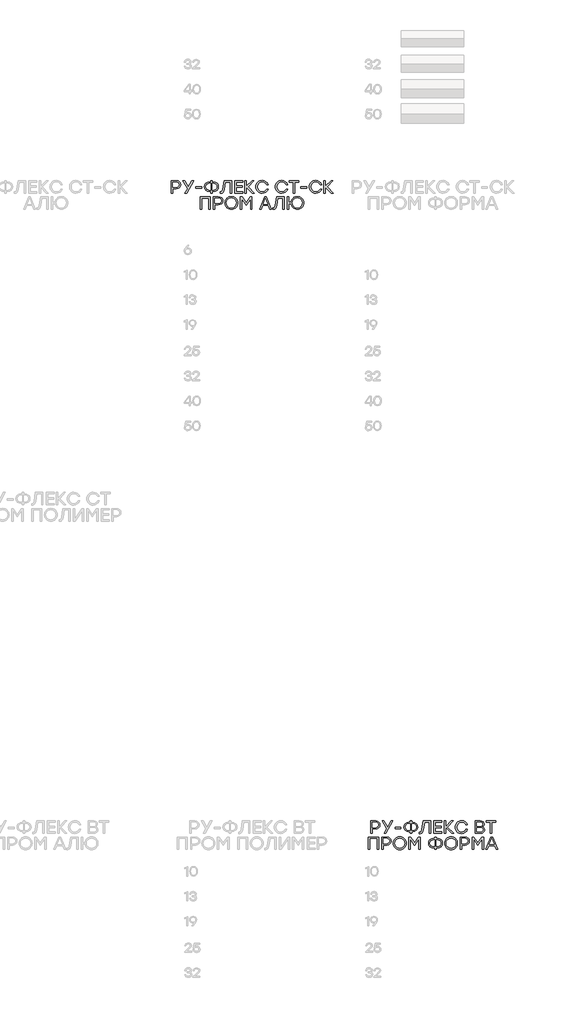
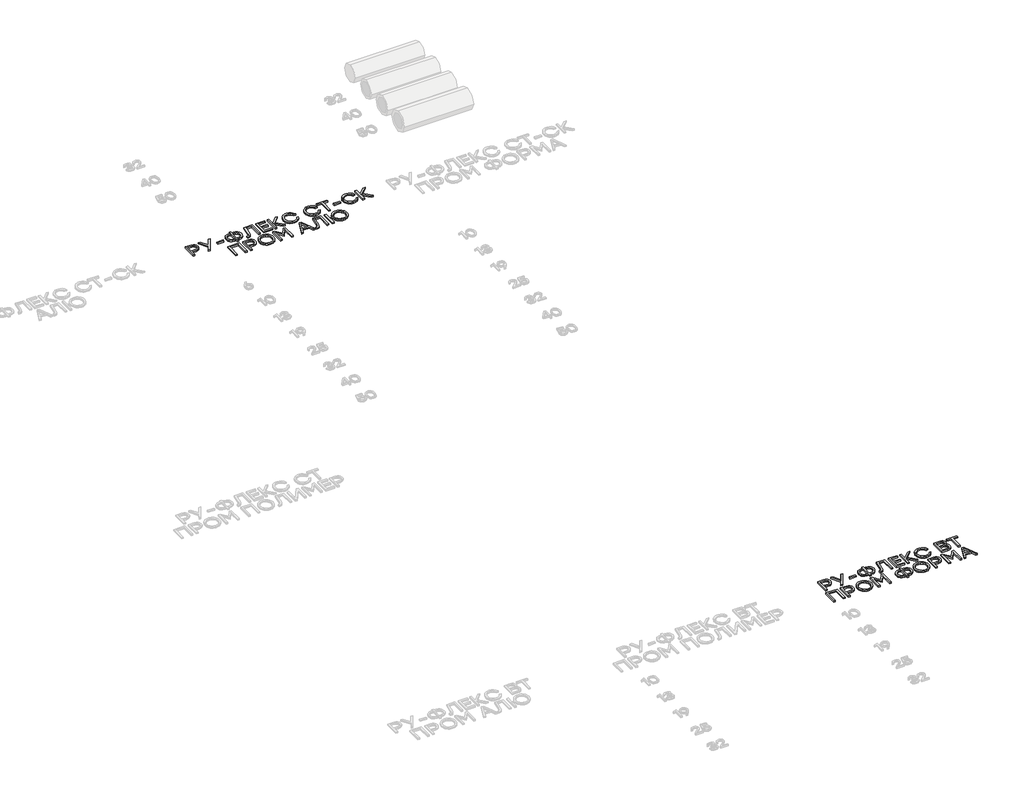
# One storey, part 23 of 41: 2 proxies.
"""IFC4 building model written with IfcOpenShell, lengths in millimetres."""

from ifc_helpers import new_model, si_unit, origin, origin_with_axes, place, context, project, spatial, polyline, outline, extrude, element, save

model = new_model("IFC4")

# Units and contexts
model_context = context("Model", 3, world=origin())
ifc_project = project(units=[si_unit("LENGTHUNIT", "METRE", prefix="MILLI")], contexts=[model_context])

# Site, building, storey
site = spatial("IfcSite", under=ifc_project)
building = spatial("IfcBuilding", under=site)
storey = spatial("IfcBuildingStorey", under=building, Elevation=0.0)

# Proxies
placement = place(None, origin())
element("IfcBuildingElementProxy", 1, Name="Generic Models", at=placement, inside=storey, context=model_context, shape_type="SweptSolid", body=[
    extrude(outline(polyline([(28710.1380532, -32563.1559111), (28739.157125, -32567.6203837), (28761.0222829, -32581.0138015), (28774.7384336, -32601.4670027), (28779.3104838, -32627.1108256), (28774.6980919, -32653.1446175), (28760.8609164, -32674.0146821), (28738.9554169, -32687.7308328), (28710.1380532, -32692.3028831), (28653.5522079, -32692.3028831), (28653.5522079, -32763.1427673), (28629.8313355, -32763.1427673), (28629.8313355, -32563.1559111), (28710.1380532, -32563.1559111)]), holes=[polyline([(28709.277432, -32669.711576), (28729.1456797, -32666.712849), (28743.5678087, -32657.7166678), (28752.342111, -32644.1484363), (28755.2668784, -32627.4335586), (28752.342111, -32610.7859168), (28743.5678087, -32597.4193935), (28729.1456797, -32588.6249204), (28709.277432, -32585.6934293), (28653.5522079, -32585.6934293), (28653.5522079, -32669.711576), (28709.277432, -32669.711576)])]), origin_with_axes(), (0.0, 0.0, 1.0), 20.0),
    extrude(outline(polyline([(28988.3338628, -32563.1559111), (28875.2159611, -32763.1427673), (28848.3753368, -32763.1427673), (28889.792733, -32690.5816406), (28816.9088734, -32563.1559111), (28843.8032865, -32563.1559111), (28902.9172066, -32665.1395258), (28961.7621826, -32563.1559111), (28988.3338628, -32563.1559111)])), origin_with_axes(), (0.0, 0.0, 1.0), 20.0),
    extrude(outline(polyline([(29114.8989711, -32665.7312029), (29114.8989711, -32688.2687211), (29022.2746122, -32688.2687211), (29022.2746122, -32665.7312029), (29114.8989711, -32665.7312029)])), origin_with_axes(), (0.0, 0.0, 1.0), 20.0),
    extrude(outline(polyline([(29305.4727826, -32585.6934293), (29337.1207833, -32590.8033678), (29362.8923547, -32606.1331833), (29372.8819483, -32617.2355333), (29380.0173723, -32630.1028291), (29385.7257115, -32661.1322582), (29380.0509903, -32692.1616874), (29372.9575888, -32705.0289832), (29363.0268268, -32716.1313331), (29337.2888734, -32731.4611486), (29305.4727826, -32736.5710871), (29285.7322834, -32736.5710871), (29285.7322834, -32763.1427673), (29262.011411, -32763.1427673), (29262.011411, -32736.5710871), (29242.0557564, -32736.5710871), (29210.1993241, -32731.4611486), (29184.4479235, -32716.1313331), (29174.5171614, -32705.0289832), (29167.4237599, -32692.1616874), (29161.7490388, -32661.1322582), (29167.4641016, -32630.1028291), (29174.6079301, -32617.2355333), (29184.6092899, -32606.1331833), (29210.4010322, -32590.8033678), (29242.0557564, -32585.6934293), (29262.011411, -32585.6934293), (29262.011411, -32563.1559111), (29285.7322834, -32563.1559111), (29285.7322834, -32585.6934293), (29305.4727826, -32585.6934293)]), holes=[polyline([(29305.4727826, -32713.9797801), (29328.0775369, -32710.5171244), (29346.1909241, -32700.1291573), (29358.091702, -32683.4546211), (29362.0586279, -32661.1322582), (29358.091702, -32638.8098953), (29346.1909241, -32622.1353592), (29328.0775369, -32611.7473921), (29305.4727826, -32608.2847364), (29285.7322834, -32608.2847364), (29285.7322834, -32713.9797801), (29305.4727826, -32713.9797801)]), polyline([(29242.0557564, -32713.9797801), (29262.011411, -32713.9797801), (29262.011411, -32608.2847364), (29242.0557564, -32608.2847364), (29219.6527103, -32611.7473921), (29201.6065591, -32622.1353592), (29189.7057812, -32638.8098953), (29185.7388553, -32661.1322582), (29189.6654396, -32683.4546211), (29201.4451926, -32700.1291573), (29219.4510022, -32710.5171244), (29242.0557564, -32713.9797801)])]), origin_with_axes(), (0.0, 0.0, 1.0), 20.0),
    extrude(outline(polyline([(29475.3916849, -32563.1559111), (29595.6635005, -32563.1559111), (29595.6635005, -32763.1427673), (29571.9426281, -32763.1427673), (29571.9426281, -32585.6934293), (29495.3473395, -32585.6934293), (29476.2523061, -32701.9848718), (29469.1521811, -32732.0057605), (29459.3626147, -32751.7126417), (29446.1574578, -32762.6250498), (29428.8105613, -32766.2625192), (29413.1042241, -32765.401898), (29413.1042241, -32743.725001), (29424.2385111, -32744.2628893), (29434.9357639, -32741.9768642), (29442.4998176, -32735.1187888), (29452.8003779, -32700.5863623), (29475.3916849, -32563.1559111)])), origin_with_axes(), (0.0, 0.0, 1.0), 20.0),
    extrude(outline(polyline([(29772.2522172, -32585.6934293), (29669.0852484, -32585.6934293), (29669.0852484, -32649.1642444), (29765.3672475, -32649.1642444), (29765.3672475, -32671.7017626), (29669.0852484, -32671.7017626), (29669.0852484, -32740.5514603), (29772.2522172, -32740.5514603), (29772.2522172, -32763.1427673), (29645.364376, -32763.1427673), (29645.364376, -32563.1559111), (29772.2522172, -32563.1559111), (29772.2522172, -32585.6934293)])), origin_with_axes(), (0.0, 0.0, 1.0), 20.0),
    extrude(outline(polyline([(29958.8994445, -32763.1427673), (29928.3473912, -32763.1427673), (29834.3245228, -32666.000147), (29834.3245228, -32763.1427673), (29810.6036504, -32763.1427673), (29810.6036504, -32563.1559111), (29834.3245228, -32563.1559111), (29834.3245228, -32656.8560465), (29925.2276392, -32563.1559111), (29955.5107484, -32563.1559111), (29860.896203, -32661.1591526), (29958.8994445, -32763.1427673)])), origin_with_axes(), (0.0, 0.0, 1.0), 20.0),
    extrude(outline(polyline([(30087.9388388, -32766.2625192), (30066.7409985, -32764.4236137), (30047.4156818, -32758.9068972), (30029.9628885, -32749.7123697), (30014.3826188, -32736.8400312), (30001.5691119, -32721.1992491), (29992.4166069, -32703.6993906), (29986.9251039, -32684.3404559), (29985.0946029, -32663.1224448), (29986.9251039, -32641.9044337), (29992.4166069, -32622.545499), (30001.5691119, -32605.0456405), (30014.3826188, -32589.4048584), (30029.9628885, -32576.5325199), (30047.4156818, -32567.3379924), (30066.7409985, -32561.8212759), (30087.9388388, -32559.9823704), (30119.4187494, -32564.5208026), (30146.9451812, -32578.1360993), (30168.6893143, -32599.3894092), (30182.8223284, -32626.8418815), (30157.3802135, -32626.8418815), (30145.9164699, -32608.6343638), (30129.8134401, -32594.5685857), (30110.0662172, -32585.5724045), (30087.6698946, -32582.5736774), (30056.7682139, -32588.3223582), (30031.51436, -32605.5684007), (30014.6919046, -32631.4609969), (30009.0844194, -32663.1493392), (30014.6919046, -32694.8376815), (30031.51436, -32720.7302778), (30056.7682139, -32737.9763202), (30087.6698946, -32743.725001), (30110.0662172, -32740.7262739), (30129.8134401, -32731.7300927), (30145.9164699, -32717.6508675), (30157.3802135, -32699.4030081), (30182.8223284, -32699.4030081), (30168.6893143, -32726.8890984), (30146.9451812, -32748.1356848), (30119.4187494, -32761.7308106), (30087.9388388, -32766.2625192)])), origin_with_axes(), (0.0, 0.0, 1.0), 20.0),
    extrude(outline(polyline([(30401.2049631, -32766.2625192), (30380.0071229, -32764.4236137), (30360.6818061, -32758.9068972), (30343.2290129, -32749.7123697), (30327.6487432, -32736.8400312), (30314.8352362, -32721.1992491), (30305.6827312, -32703.6993906), (30300.1912282, -32684.3404559), (30298.3607273, -32663.1224448), (30300.1912282, -32641.9044337), (30305.6827312, -32622.545499), (30314.8352362, -32605.0456405), (30327.6487432, -32589.4048584), (30343.2290129, -32576.5325199), (30360.6818061, -32567.3379924), (30380.0071229, -32561.8212759), (30401.2049631, -32559.9823704), (30432.6848737, -32564.5208026), (30460.2113056, -32578.1360993), (30481.9554386, -32599.3894092), (30496.0884527, -32626.8418815), (30470.6463379, -32626.8418815), (30459.1825943, -32608.6343638), (30443.0795644, -32594.5685857), (30423.3323416, -32585.5724045), (30400.936019, -32582.5736774), (30370.0343383, -32588.3223582), (30344.7804843, -32605.5684007), (30327.9580289, -32631.4609969), (30322.3505438, -32663.1493392), (30327.9580289, -32694.8376815), (30344.7804843, -32720.7302778), (30370.0343383, -32737.9763202), (30400.936019, -32743.725001), (30423.3323416, -32740.7262739), (30443.0795644, -32731.7300927), (30459.1825943, -32717.6508675), (30470.6463379, -32699.4030081), (30496.0884527, -32699.4030081), (30481.9554386, -32726.8890984), (30460.2113056, -32748.1356848), (30432.6848737, -32761.7308106), (30401.2049631, -32766.2625192)])), origin_with_axes(), (0.0, 0.0, 1.0), 20.0),
    extrude(outline(polyline([(30671.0097158, -32563.1559111), (30671.0097158, -32585.6934293), (30606.4093355, -32585.6934293), (30606.4093355, -32763.1427673), (30582.4195189, -32763.1427673), (30582.4195189, -32585.6934293), (30518.1418715, -32585.6934293), (30518.1418715, -32563.1559111), (30671.0097158, -32563.1559111)])), origin_with_axes(), (0.0, 0.0, 1.0), 20.0),
    extrude(outline(polyline([(30798.2740789, -32665.7312029), (30798.2740789, -32688.2687211), (30705.64972, -32688.2687211), (30705.64972, -32665.7312029), (30798.2740789, -32665.7312029)])), origin_with_axes(), (0.0, 0.0, 1.0), 20.0),
    extrude(outline(polyline([(30945.1175747, -32766.2625192), (30923.9197344, -32764.4236137), (30904.5944176, -32758.9068972), (30887.1416244, -32749.7123697), (30871.5613547, -32736.8400312), (30858.7478477, -32721.1992491), (30849.5953428, -32703.6993906), (30844.1038398, -32684.3404559), (30842.2733388, -32663.1224448), (30844.1038398, -32641.9044337), (30849.5953428, -32622.545499), (30858.7478477, -32605.0456405), (30871.5613547, -32589.4048584), (30887.1416244, -32576.5325199), (30904.5944176, -32567.3379924), (30923.9197344, -32561.8212759), (30945.1175747, -32559.9823704), (30976.5974852, -32564.5208026), (31004.1239171, -32578.1360993), (31025.8680501, -32599.3894092), (31040.0010642, -32626.8418815), (31014.5589494, -32626.8418815), (31003.0952058, -32608.6343638), (30986.9921759, -32594.5685857), (30967.2449531, -32585.5724045), (30944.8486305, -32582.5736774), (30913.9469498, -32588.3223582), (30888.6930959, -32605.5684007), (30871.8706404, -32631.4609969), (30866.2631553, -32663.1493392), (30871.8706404, -32694.8376815), (30888.6930959, -32720.7302778), (30913.9469498, -32737.9763202), (30944.8486305, -32743.725001), (30967.2449531, -32740.7262739), (30986.9921759, -32731.7300927), (31003.0952058, -32717.6508675), (31014.5589494, -32699.4030081), (31040.0010642, -32699.4030081), (31025.8680501, -32726.8890984), (31004.1239171, -32748.1356848), (30976.5974852, -32761.7308106), (30945.1175747, -32766.2625192)])), origin_with_axes(), (0.0, 0.0, 1.0), 20.0),
    extrude(outline(polyline([(31225.7338814, -32763.1427673), (31195.1818281, -32763.1427673), (31101.1589597, -32666.000147), (31101.1589597, -32763.1427673), (31077.4380873, -32763.1427673), (31077.4380873, -32563.1559111), (31101.1589597, -32563.1559111), (31101.1589597, -32656.8560465), (31192.0620762, -32563.1559111), (31222.3451854, -32563.1559111), (31127.7306399, -32661.1591526), (31225.7338814, -32763.1427673)])), origin_with_axes(), (0.0, 0.0, 1.0), 20.0),
    extrude(outline(polyline([(29256.3097954, -32821.6781541), (29256.3097954, -33021.6650103), (29232.588923, -33021.6650103), (29232.588923, -32844.2156724), (29116.5664247, -32844.2156724), (29116.5664247, -33021.6650103), (29092.8455523, -33021.6650103), (29092.8455523, -32821.6781541), (29116.5664247, -32821.6781541), (29256.3097954, -32821.6781541)])), origin_with_axes(), (0.0, 0.0, 1.0), 20.0),
    extrude(outline(polyline([(29386.5863327, -32821.6781541), (29415.6054045, -32826.1426267), (29437.4705624, -32839.5360445), (29451.1867131, -32859.9892457), (29455.7587633, -32885.6330686), (29451.1463715, -32911.6668605), (29437.3091959, -32932.5369251), (29415.4036964, -32946.2530758), (29386.5863327, -32950.8251261), (29330.0004874, -32950.8251261), (29330.0004874, -33021.6650103), (29306.279615, -33021.6650103), (29306.279615, -32821.6781541), (29386.5863327, -32821.6781541)]), holes=[polyline([(29385.7257115, -32928.233819), (29405.5939592, -32925.235092), (29420.0160882, -32916.2389108), (29428.7903905, -32902.6706793), (29431.715158, -32885.9558016), (29428.7903905, -32869.3081598), (29420.0160882, -32855.9416365), (29405.5939592, -32847.1471634), (29385.7257115, -32844.2156724), (29330.0004874, -32844.2156724), (29330.0004874, -32928.233819), (29385.7257115, -32928.233819)])]), origin_with_axes(), (0.0, 0.0, 1.0), 20.0),
    extrude(outline(polyline([(29520.3591437, -32848.0884679), (29536.1528878, -32835.1455315), (29553.6813216, -32825.900577), (29572.944445, -32820.3536043), (29593.9422581, -32818.5046134), (29614.9215812, -32820.3536043), (29634.1292349, -32825.900577), (29651.5652191, -32835.1455315), (29667.2295339, -32848.0884679), (29680.1607039, -32863.7813579), (29689.3972539, -32881.2761737), (29694.9391839, -32900.5729151), (29696.7864939, -32921.6715822), (29694.9290985, -32942.7685684), (29689.3569123, -32962.0602672), (29680.0699353, -32979.5466784), (29667.0681674, -32995.2278022), (29651.3349357, -33008.1589722), (29633.8535672, -33017.3955222), (29614.6240618, -33022.9374522), (29593.6464195, -33024.7847622), (29572.6687773, -33022.9374522), (29553.4392719, -33017.3955222), (29535.9579033, -33008.1589722), (29520.2246716, -32995.2278022), (29507.2229038, -32979.5466784), (29497.9359267, -32962.0602672), (29492.3637405, -32942.7685684), (29490.5063451, -32921.6715822), (29492.372145, -32900.5729151), (29497.9695447, -32881.2761737), (29507.2985443, -32863.7813579), (29520.3591437, -32848.0884679)]), holes=[polyline([(29593.6733139, -32841.0959204), (29562.8657637, -32846.8782193), (29537.3564128, -32864.2251157), (29520.2112244, -32890.1446064), (29514.4961616, -32921.6446878), (29520.2112244, -32953.1514928), (29537.3564128, -32979.0911543), (29562.8657637, -32996.4582216), (29593.6733139, -33002.247244), (29624.6422307, -32996.4985632), (29650.0977927, -32979.2525208), (29667.1219562, -32953.3599245), (29672.7966774, -32921.6715822), (29667.1219562, -32889.9832399), (29650.0977927, -32864.0906437), (29624.6422307, -32846.8446012), (29593.6733139, -32841.0959204)])]), origin_with_axes(), (0.0, 0.0, 1.0), 20.0),
    extrude(outline(polyline([(29894.6217971, -32821.6781541), (29923.7753409, -32821.6781541), (29923.7753409, -33021.6650103), (29900.0544685, -33021.6650103), (29900.0544685, -32852.2302075), (29832.3343362, -32954.5365551), (29830.0752055, -32954.5365551), (29762.3550732, -32852.2302075), (29762.3550732, -33021.6650103), (29738.6342008, -33021.6650103), (29738.6342008, -32821.6781541), (29767.7877447, -32821.6781541), (29831.2047709, -32917.099532), (29894.6217971, -32821.6781541)])), origin_with_axes(), (0.0, 0.0, 1.0), 20.0),
    extrude(outline(polyline([(30210.200841, -33021.6650103), (30186.4799686, -32961.6366802), (30093.6404544, -32961.6366802), (30069.919582, -33021.6650103), (30044.8002001, -33021.6650103), (30124.7841848, -32821.6781541), (30155.3362381, -32821.6781541), (30235.3740117, -33021.6650103), (30210.200841, -33021.6650103)]), holes=[polyline([(30102.7845548, -32939.0991619), (30177.658601, -32939.0991619), (30140.2215779, -32844.2156724), (30102.7845548, -32939.0991619)])]), origin_with_axes(), (0.0, 0.0, 1.0), 20.0),
    extrude(outline(polyline([(30317.0792388, -32821.6781541), (30437.3510544, -32821.6781541), (30437.3510544, -33021.6650103), (30413.630182, -33021.6650103), (30413.630182, -32844.2156724), (30337.0348934, -32844.2156724), (30317.93986, -32960.5071148), (30310.839735, -32990.5280035), (30301.0501686, -33010.2348847), (30287.8450117, -33021.1472929), (30270.4981152, -33024.7847622), (30254.791778, -33023.924141), (30254.791778, -33002.247244), (30265.926065, -33002.7851323), (30276.6233178, -33000.4991072), (30284.1873715, -32993.6410318), (30294.4879318, -32959.1086053), (30317.0792388, -32821.6781541)])), origin_with_axes(), (0.0, 0.0, 1.0), 20.0),
    extrude(outline(polyline([(30651.3767942, -32818.5046134), (30672.3645219, -32820.3536043), (30691.5973891, -32825.900577), (30709.0753959, -32835.1455315), (30724.7985421, -32848.0884679), (30737.7885437, -32863.7813579), (30747.0671162, -32881.2761737), (30752.6342597, -32900.5729151), (30754.4899743, -32921.6715822), (30752.6342597, -32942.7685684), (30747.0671162, -32962.0602672), (30737.7885437, -32979.5466784), (30724.7985421, -32995.2278022), (30709.0753959, -33008.1589722), (30691.5973891, -33017.3955222), (30672.3645219, -33022.9374522), (30651.3767942, -33024.7847622), (30631.8195132, -33023.1694165), (30613.704445, -33018.3233795), (30597.0315898, -33010.246651), (30581.8009474, -32998.9392312), (30568.8563302, -32985.1508018), (30559.0415503, -32969.6310445), (30552.3566077, -32952.3799593), (30548.8015025, -32933.3975464), (30510.7728023, -32933.3975464), (30510.7728023, -33021.6650103), (30487.0519299, -33021.6650103), (30487.0519299, -32821.6781541), (30510.7728023, -32821.6781541), (30510.7728023, -32910.5372952), (30548.5325584, -32910.5372952), (30552.0859827, -32891.4036011), (30558.7658826, -32874.0214057), (30568.572258, -32858.390709), (30581.5051089, -32844.5115109), (30596.7441557, -32833.1334932), (30613.4691189, -32825.0063378), (30631.6799984, -32820.1300445), (30651.3767942, -32818.5046134)]), holes=[polyline([(30594.8985266, -32979.2794152), (30620.3944303, -32996.5052868), (30651.3767942, -33002.247244), (30682.345711, -32996.4985632), (30707.801273, -32979.2525208), (30724.8254366, -32953.3599245), (30730.5001577, -32921.6715822), (30724.8254366, -32889.9832399), (30707.801273, -32864.0906437), (30682.345711, -32846.8446012), (30651.3767942, -32841.0959204), (30620.4011539, -32846.8446012), (30594.925421, -32864.0906437), (30577.8138507, -32889.9832399), (30571.9306978, -32921.6715822), (30577.8071271, -32953.3666481), (30594.8985266, -32979.2794152)])]), origin_with_axes(), (0.0, 0.0, 1.0), 20.0),
])
element("IfcBuildingElementProxy", 2, Name="Generic Models", at=placement, inside=storey, context=model_context, shape_type="SweptSolid", body=[
    extrude(outline(polyline([(31906.1917531, -42828.8171815), (31935.2108249, -42833.2816541), (31957.0759828, -42846.6750718), (31970.7921335, -42867.128273), (31975.3641837, -42892.772096), (31970.7517919, -42918.8058879), (31956.9146163, -42939.6759525), (31935.0091168, -42953.3921032), (31906.1917531, -42957.9641534), (31849.6059079, -42957.9641534), (31849.6059079, -43028.8040377), (31825.8850355, -43028.8040377), (31825.8850355, -42828.8171815), (31906.1917531, -42828.8171815)]), holes=[polyline([(31905.3311319, -42935.3728464), (31925.1993796, -42932.3741193), (31939.6215087, -42923.3779381), (31948.3958109, -42909.8097067), (31951.3205784, -42893.0948289), (31948.3958109, -42876.4471872), (31939.6215087, -42863.0806639), (31925.1993796, -42854.2861908), (31905.3311319, -42851.3546997), (31849.6059079, -42851.3546997), (31849.6059079, -42935.3728464), (31905.3311319, -42935.3728464)])]), origin_with_axes(), (0.0, 0.0, 1.0), 20.0),
    extrude(outline(polyline([(32184.3875627, -42828.8171815), (32071.269661, -43028.8040377), (32044.4290367, -43028.8040377), (32085.8464329, -42956.242911), (32012.9625733, -42828.8171815), (32039.8569865, -42828.8171815), (32098.9709066, -42930.8007962), (32157.8158825, -42828.8171815), (32184.3875627, -42828.8171815)])), origin_with_axes(), (0.0, 0.0, 1.0), 20.0),
    extrude(outline(polyline([(32310.952671, -42931.3924733), (32310.952671, -42953.9299915), (32218.3283121, -42953.9299915), (32218.3283121, -42931.3924733), (32310.952671, -42931.3924733)])), origin_with_axes(), (0.0, 0.0, 1.0), 20.0),
    extrude(outline(polyline([(32501.5264826, -42851.3546997), (32533.1744832, -42856.4646382), (32558.9460546, -42871.7944537), (32568.9356482, -42882.8968036), (32576.0710722, -42895.7640994), (32581.7794114, -42926.7935286), (32576.1046902, -42957.8229578), (32569.0112888, -42970.6902536), (32559.0805267, -42981.7926035), (32533.3425733, -42997.122419), (32501.5264826, -43002.2323575), (32481.7859833, -43002.2323575), (32481.7859833, -43028.8040377), (32458.0651109, -43028.8040377), (32458.0651109, -43002.2323575), (32438.1094564, -43002.2323575), (32406.253024, -42997.122419), (32380.5016234, -42981.7926035), (32370.5708614, -42970.6902536), (32363.4774599, -42957.8229578), (32357.8027387, -42926.7935286), (32363.5178015, -42895.7640994), (32370.66163, -42882.8968036), (32380.6629899, -42871.7944537), (32406.4547321, -42856.4646382), (32438.1094564, -42851.3546997), (32458.0651109, -42851.3546997), (32458.0651109, -42828.8171815), (32481.7859833, -42828.8171815), (32481.7859833, -42851.3546997), (32501.5264826, -42851.3546997)]), holes=[polyline([(32501.5264826, -42979.6410504), (32524.1312368, -42976.1783948), (32542.2446241, -42965.7904277), (32554.1454019, -42949.1158915), (32558.1123278, -42926.7935286), (32554.1454019, -42904.4711657), (32542.2446241, -42887.7966295), (32524.1312368, -42877.4086625), (32501.5264826, -42873.9460068), (32481.7859833, -42873.9460068), (32481.7859833, -42979.6410504), (32501.5264826, -42979.6410504)]), polyline([(32438.1094564, -42979.6410504), (32458.0651109, -42979.6410504), (32458.0651109, -42873.9460068), (32438.1094564, -42873.9460068), (32415.7064102, -42877.4086625), (32397.660259, -42887.7966295), (32385.7594812, -42904.4711657), (32381.7925552, -42926.7935286), (32385.7191396, -42949.1158915), (32397.4988925, -42965.7904277), (32415.5047021, -42976.1783948), (32438.1094564, -42979.6410504)])]), origin_with_axes(), (0.0, 0.0, 1.0), 20.0),
    extrude(outline(polyline([(32671.4453848, -42828.8171815), (32791.7172004, -42828.8171815), (32791.7172004, -43028.8040377), (32767.9963281, -43028.8040377), (32767.9963281, -42851.3546997), (32691.4010394, -42851.3546997), (32672.3060061, -42967.6461422), (32665.205881, -42997.6670309), (32655.4163146, -43017.3739121), (32642.2111578, -43028.2863202), (32624.8642613, -43031.9237896), (32609.157924, -43031.0631684), (32609.157924, -43009.3862714), (32620.292211, -43009.9241597), (32630.9894639, -43007.6381345), (32638.5535176, -43000.7800592), (32648.8540778, -42966.2476327), (32671.4453848, -42828.8171815)])), origin_with_axes(), (0.0, 0.0, 1.0), 20.0),
    extrude(outline(polyline([(32968.3059172, -42851.3546997), (32865.1389483, -42851.3546997), (32865.1389483, -42914.8255148), (32961.4209474, -42914.8255148), (32961.4209474, -42937.363033), (32865.1389483, -42937.363033), (32865.1389483, -43006.2127306), (32968.3059172, -43006.2127306), (32968.3059172, -43028.8040377), (32841.4180759, -43028.8040377), (32841.4180759, -42828.8171815), (32968.3059172, -42828.8171815), (32968.3059172, -42851.3546997)])), origin_with_axes(), (0.0, 0.0, 1.0), 20.0),
    extrude(outline(polyline([(33154.9531444, -43028.8040377), (33124.4010911, -43028.8040377), (33030.3782227, -42931.6614174), (33030.3782227, -43028.8040377), (33006.6573503, -43028.8040377), (33006.6573503, -42828.8171815), (33030.3782227, -42828.8171815), (33030.3782227, -42922.5173169), (33121.2813392, -42828.8171815), (33151.5644484, -42828.8171815), (33056.9499029, -42926.820423), (33154.9531444, -43028.8040377)])), origin_with_axes(), (0.0, 0.0, 1.0), 20.0),
    extrude(outline(polyline([(33283.9925387, -43031.9237896), (33262.7946985, -43030.0848841), (33243.4693817, -43024.5681676), (33226.0165885, -43015.3736401), (33210.4363188, -43002.5013016), (33197.6228118, -42986.8605195), (33188.4703068, -42969.360661), (33182.9788038, -42950.0017263), (33181.1483028, -42928.7837152), (33182.9788038, -42907.5657041), (33188.4703068, -42888.2067693), (33197.6228118, -42870.7069109), (33210.4363188, -42855.0661287), (33226.0165885, -42842.1937902), (33243.4693817, -42832.9992628), (33262.7946985, -42827.4825463), (33283.9925387, -42825.6436408), (33315.4724493, -42830.182073), (33342.9988812, -42843.7973696), (33364.7430142, -42865.0506796), (33378.8760283, -42892.5031518), (33353.4339135, -42892.5031518), (33341.9701699, -42874.2956341), (33325.86714, -42860.2298561), (33306.1199171, -42851.2336749), (33283.7235946, -42848.2349478), (33252.8219139, -42853.9836286), (33227.5680599, -42871.229671), (33210.7456045, -42897.1222673), (33205.1381194, -42928.8106096), (33210.7456045, -42960.4989519), (33227.5680599, -42986.3915481), (33252.8219139, -43003.6375906), (33283.7235946, -43009.3862714), (33306.1199171, -43006.3875443), (33325.86714, -42997.3913631), (33341.9701699, -42983.3121378), (33353.4339135, -42965.0642785), (33378.8760283, -42965.0642785), (33364.7430142, -42992.5503688), (33342.9988812, -43013.7969551), (33315.4724493, -43027.392081), (33283.9925387, -43031.9237896)])), origin_with_axes(), (0.0, 0.0, 1.0), 20.0),
    extrude(outline(polyline([(33617.2681065, -42922.5173169), (33632.3995757, -42929.3451361), (33643.2077679, -42940.0928159), (33649.6926833, -42954.7603565), (33651.8543218, -42973.3477578), (33647.6722405, -42996.5509127), (33635.1259968, -43014.0927937), (33614.5786651, -43025.1262267), (33586.3933202, -43028.8040377), (33502.3751735, -43028.8040377), (33502.3751735, -42828.8171815), (33584.9948107, -42828.8171815), (33611.2908231, -42832.1386415), (33630.258108, -42842.1030216), (33641.7352988, -42858.1320918), (33645.5610291, -42879.6476224), (33643.7927214, -42894.0058772), (33638.4877984, -42905.9369112), (33629.6462601, -42915.4407245), (33617.2681065, -42922.5173169)]), holes=[polyline([(33586.124376, -43006.2127306), (33604.5033456, -43004.054454), (33617.631181, -42997.579624), (33625.5078823, -42986.7882407), (33628.1334494, -42971.6803042), (33625.6322689, -42956.3572123), (33618.1287277, -42945.243096), (33604.9773596, -42938.4858747), (33585.5326989, -42936.2334676), (33526.0960459, -42936.2334676), (33526.0960459, -43006.2127306), (33586.124376, -43006.2127306)]), polyline([(33621.5712126, -42883.0901072), (33619.2851874, -42869.3067205), (33612.4271121, -42859.3692348), (33600.2842846, -42853.3583335), (33582.1440029, -42851.3546997), (33526.0960459, -42851.3546997), (33526.0960459, -42914.5027818), (33581.5523258, -42914.5027818), (33600.1363653, -42912.5058716), (33612.4271121, -42906.5151411), (33619.2851874, -42896.6650623), (33621.5712126, -42883.0901072)])]), origin_with_axes(), (0.0, 0.0, 1.0), 20.0),
    extrude(outline(polyline([(33829.1960821, -42828.8171815), (33829.1960821, -42851.3546997), (33764.5957017, -42851.3546997), (33764.5957017, -43028.8040377), (33740.6058852, -43028.8040377), (33740.6058852, -42851.3546997), (33676.3282377, -42851.3546997), (33676.3282377, -42828.8171815), (33829.1960821, -42828.8171815)])), origin_with_axes(), (0.0, 0.0, 1.0), 20.0),
    extrude(outline(polyline([(31954.9244297, -43087.3394245), (31954.9244297, -43287.3262807), (31931.2035573, -43287.3262807), (31931.2035573, -43109.8769427), (31815.181059, -43109.8769427), (31815.181059, -43287.3262807), (31791.4601866, -43287.3262807), (31791.4601866, -43087.3394245), (31815.181059, -43087.3394245), (31954.9244297, -43087.3394245)])), origin_with_axes(), (0.0, 0.0, 1.0), 20.0),
    extrude(outline(polyline([(32085.200967, -43087.3394245), (32114.2200388, -43091.8038971), (32136.0851967, -43105.1973149), (32149.8013474, -43125.6505161), (32154.3733977, -43151.294339), (32149.7610058, -43177.3281309), (32135.9238302, -43198.1981955), (32114.0183307, -43211.9143462), (32085.200967, -43216.4863965), (32028.6151218, -43216.4863965), (32028.6151218, -43287.3262807), (32004.8942494, -43287.3262807), (32004.8942494, -43087.3394245), (32085.200967, -43087.3394245)]), holes=[polyline([(32084.3403458, -43193.8950894), (32104.2085935, -43190.8963623), (32118.6307226, -43181.9001812), (32127.4050249, -43168.3319497), (32130.3297923, -43151.6170719), (32127.4050249, -43134.9694302), (32118.6307226, -43121.6029069), (32104.2085935, -43112.8084338), (32084.3403458, -43109.8769427), (32028.6151218, -43109.8769427), (32028.6151218, -43193.8950894), (32084.3403458, -43193.8950894)])]), origin_with_axes(), (0.0, 0.0, 1.0), 20.0),
    extrude(outline(polyline([(32218.973778, -43113.7497382), (32234.7675222, -43100.8068019), (32252.2959559, -43091.5618474), (32271.5590793, -43086.0148747), (32292.5568924, -43084.1658838), (32313.5362156, -43086.0148747), (32332.7438693, -43091.5618474), (32350.1798535, -43100.8068019), (32365.8441682, -43113.7497382), (32378.7753383, -43129.4426283), (32388.0118883, -43146.9374441), (32393.5538183, -43166.2341855), (32395.4011283, -43187.3328526), (32393.5437329, -43208.4298388), (32387.9715467, -43227.7215376), (32378.6845696, -43245.2079488), (32365.6828018, -43260.8890726), (32349.9495701, -43273.8202426), (32332.4682015, -43283.0567926), (32313.2386961, -43288.5987226), (32292.2610539, -43290.4460326), (32271.2834116, -43288.5987226), (32252.0539062, -43283.0567926), (32234.5725377, -43273.8202426), (32218.839306, -43260.8890726), (32205.8375381, -43245.2079488), (32196.5505611, -43227.7215376), (32190.9783748, -43208.4298388), (32189.1209794, -43187.3328526), (32190.9867794, -43166.2341855), (32196.5841791, -43146.9374441), (32205.9131786, -43129.4426283), (32218.973778, -43113.7497382)]), holes=[polyline([(32292.2879483, -43106.7571908), (32261.480398, -43112.5394896), (32235.9710471, -43129.8863861), (32218.8258588, -43155.8058768), (32213.110796, -43187.3059582), (32218.8258588, -43218.8127632), (32235.9710471, -43244.7524247), (32261.480398, -43262.119492), (32292.2879483, -43267.9085144), (32323.256865, -43262.1598336), (32348.7124271, -43244.9137912), (32365.7365906, -43219.0211949), (32371.4113118, -43187.3328526), (32365.7365906, -43155.6445103), (32348.7124271, -43129.7519141), (32323.256865, -43112.5058716), (32292.2879483, -43106.7571908)])]), origin_with_axes(), (0.0, 0.0, 1.0), 20.0),
    extrude(outline(polyline([(32593.2364314, -43087.3394245), (32622.3899753, -43087.3394245), (32622.3899753, -43287.3262807), (32598.6691029, -43287.3262807), (32598.6691029, -43117.8914779), (32530.9489706, -43220.1978255), (32528.6898399, -43220.1978255), (32460.9697075, -43117.8914779), (32460.9697075, -43287.3262807), (32437.2488351, -43287.3262807), (32437.2488351, -43087.3394245), (32466.402379, -43087.3394245), (32529.8194052, -43182.7608024), (32593.2364314, -43087.3394245)])), origin_with_axes(), (0.0, 0.0, 1.0), 20.0),
    extrude(outline(polyline([(32897.4122441, -43109.8769427), (32929.0602448, -43114.9868812), (32954.8318162, -43130.3166967), (32964.8214098, -43141.4190467), (32971.9568338, -43154.2863425), (32977.665173, -43185.3157716), (32971.9904518, -43216.3452008), (32964.8970503, -43229.2124966), (32954.9662883, -43240.3148465), (32929.2283349, -43255.644662), (32897.4122441, -43260.7546005), (32877.6717449, -43260.7546005), (32877.6717449, -43287.3262807), (32853.9508725, -43287.3262807), (32853.9508725, -43260.7546005), (32833.9952179, -43260.7546005), (32802.1387855, -43255.644662), (32776.387385, -43240.3148465), (32766.4566229, -43229.2124966), (32759.3632214, -43216.3452008), (32753.6885003, -43185.3157716), (32759.403563, -43154.2863425), (32766.5473915, -43141.4190467), (32776.5487514, -43130.3166967), (32802.3404936, -43114.9868812), (32833.9952179, -43109.8769427), (32853.9508725, -43109.8769427), (32853.9508725, -43087.3394245), (32877.6717449, -43087.3394245), (32877.6717449, -43109.8769427), (32897.4122441, -43109.8769427)]), holes=[polyline([(32833.9952179, -43238.1632935), (32853.9508725, -43238.1632935), (32853.9508725, -43132.4682498), (32833.9952179, -43132.4682498), (32811.5921718, -43135.9309055), (32793.5460205, -43146.3188726), (32781.6452427, -43162.9934087), (32777.6783168, -43185.3157716), (32781.6049011, -43207.6381345), (32793.3846541, -43224.3126707), (32811.3904637, -43234.7006378), (32833.9952179, -43238.1632935)]), polyline([(32897.4122441, -43238.1632935), (32920.0169984, -43234.7006378), (32938.1303856, -43224.3126707), (32950.0311634, -43207.6381345), (32953.9980894, -43185.3157716), (32950.0311634, -43162.9934087), (32938.1303856, -43146.3188726), (32920.0169984, -43135.9309055), (32897.4122441, -43132.4682498), (32877.6717449, -43132.4682498), (32877.6717449, -43238.1632935), (32897.4122441, -43238.1632935)])]), origin_with_axes(), (0.0, 0.0, 1.0), 20.0),
    extrude(outline(polyline([(33041.7276651, -43113.7497382), (33057.5214092, -43100.8068019), (33075.049843, -43091.5618474), (33094.3129664, -43086.0148747), (33115.3107795, -43084.1658838), (33136.2901026, -43086.0148747), (33155.4977563, -43091.5618474), (33172.9337405, -43100.8068019), (33188.5980553, -43113.7497382), (33201.5292253, -43129.4426283), (33210.7657753, -43146.9374441), (33216.3077053, -43166.2341855), (33218.1550153, -43187.3328526), (33216.2976199, -43208.4298388), (33210.7254337, -43227.7215376), (33201.4384567, -43245.2079488), (33188.4366888, -43260.8890726), (33172.7034571, -43273.8202426), (33155.2220886, -43283.0567926), (33135.9925832, -43288.5987226), (33115.0149409, -43290.4460326), (33094.0372987, -43288.5987226), (33074.8077932, -43283.0567926), (33057.3264247, -43273.8202426), (33041.593193, -43260.8890726), (33028.5914252, -43245.2079488), (33019.3044481, -43227.7215376), (33013.7322619, -43208.4298388), (33011.8748665, -43187.3328526), (33013.7406664, -43166.2341855), (33019.3380661, -43146.9374441), (33028.6670657, -43129.4426283), (33041.7276651, -43113.7497382)]), holes=[polyline([(33115.0418353, -43106.7571908), (33084.2342851, -43112.5394896), (33058.7249342, -43129.8863861), (33041.5797458, -43155.8058768), (33035.864683, -43187.3059582), (33041.5797458, -43218.8127632), (33058.7249342, -43244.7524247), (33084.2342851, -43262.119492), (33115.0418353, -43267.9085144), (33146.0107521, -43262.1598336), (33171.4663141, -43244.9137912), (33188.4904776, -43219.0211949), (33194.1651988, -43187.3328526), (33188.4904776, -43155.6445103), (33171.4663141, -43129.7519141), (33146.0107521, -43112.5058716), (33115.0418353, -43106.7571908)])]), origin_with_axes(), (0.0, 0.0, 1.0), 20.0),
    extrude(outline(polyline([(33341.7079493, -43087.3394245), (33370.7270211, -43091.8038971), (33392.592179, -43105.1973149), (33406.3083297, -43125.6505161), (33410.88038, -43151.294339), (33406.2679881, -43177.3281309), (33392.4308125, -43198.1981955), (33370.525313, -43211.9143462), (33341.7079493, -43216.4863965), (33285.1221041, -43216.4863965), (33285.1221041, -43287.3262807), (33261.4012317, -43287.3262807), (33261.4012317, -43087.3394245), (33341.7079493, -43087.3394245)]), holes=[polyline([(33340.8473281, -43193.8950894), (33360.7155758, -43190.8963623), (33375.1377049, -43181.9001812), (33383.9120072, -43168.3319497), (33386.8367746, -43151.6170719), (33383.9120072, -43134.9694302), (33375.1377049, -43121.6029069), (33360.7155758, -43112.8084338), (33340.8473281, -43109.8769427), (33285.1221041, -43109.8769427), (33285.1221041, -43193.8950894), (33340.8473281, -43193.8950894)])]), origin_with_axes(), (0.0, 0.0, 1.0), 20.0),
    extrude(outline(polyline([(33608.7694719, -43087.3394245), (33637.9230158, -43087.3394245), (33637.9230158, -43287.3262807), (33614.2021434, -43287.3262807), (33614.2021434, -43117.8914779), (33546.4820111, -43220.1978255), (33544.2228803, -43220.1978255), (33476.502748, -43117.8914779), (33476.502748, -43287.3262807), (33452.7818756, -43287.3262807), (33452.7818756, -43087.3394245), (33481.9354195, -43087.3394245), (33545.3524457, -43182.7608024), (33608.7694719, -43087.3394245)])), origin_with_axes(), (0.0, 0.0, 1.0), 20.0),
    extrude(outline(polyline([(33838.2863937, -43287.3262807), (33814.5655213, -43227.2979505), (33721.7260071, -43227.2979505), (33698.0051347, -43287.3262807), (33672.8857528, -43287.3262807), (33752.8697376, -43087.3394245), (33783.4217909, -43087.3394245), (33863.4595644, -43287.3262807), (33838.2863937, -43287.3262807)]), holes=[polyline([(33730.8701076, -43204.7604323), (33805.7441538, -43204.7604323), (33768.3071307, -43109.8769427), (33730.8701076, -43204.7604323)])]), origin_with_axes(), (0.0, 0.0, 1.0), 20.0),
])

save(model, "model.ifc")
